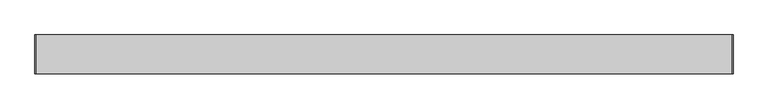
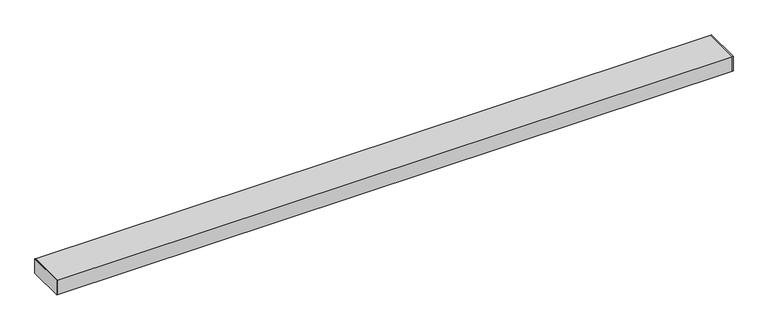
"""IFC4 building model written with IfcOpenShell, lengths in millimetres: proxy geometry."""

from ifc_helpers import new_model, si_unit, frame, origin, origin_with_axes, place, context, project, spatial, polyline, outline, extrude, source, transform, mapped, element, save


def generic_models_a887af0e(model_context):
    return source(origin(), model_context, "Body", "SweptSolid", [
        extrude(outline(polyline([(0.0, -50.8), (0.0, 50.8), (1.651, 50.8), (1.651, -50.8), (0.0, -50.8)])), origin_with_axes(), (0.0, 0.0, 1.0), 41.28),
        extrude(outline(polyline([(1828.8, -50.8), (1827.149, -50.8), (1827.149, 50.8), (1828.8, 50.8), (1828.8, -50.8)])), origin_with_axes(), (0.0, 0.0, 1.0), 41.28),
        extrude(outline(polyline([(-50.8, 0.0), (-50.8, 41.28), (50.8, 41.28), (50.8, 0.0), (-50.8, 0.0)]), holes=[polyline([(48.85, 1.65), (48.85, 39.63), (-48.85, 39.63), (-48.85, 1.65), (48.85, 1.65)])]), frame((1.651, 0.0, 0.0), z_axis=(1.0, 0.0, 0.0), x_axis=(0.0, 1.0, 0.0)), (0.0, 0.0, 1.0), 1825.498),
    ])


if __name__ == "__main__":
    model = new_model("IFC4")
    model_context = context("Model", 3, world=origin())
    ifc_project = project(units=[si_unit("LENGTHUNIT", "METRE", prefix="MILLI")], contexts=[model_context])
    site = spatial("IfcSite", under=ifc_project)
    building = spatial("IfcBuilding", under=site)
    placement = place(None, origin())
    generic_models_shape = generic_models_a887af0e(model_context)
    element("IfcBuildingElementProxy", 1, Name="Generic Models", at=placement, inside=building, context=model_context, shape_type="MappedRepresentation", body=[
        mapped(generic_models_shape, transform((0.0, 0.0, 0.0), x_axis=(1.0, 0.0, 0.0), y_axis=(0.0, 1.0, 0.0), z_axis=(0.0, 0.0, 1.0))),
    ])
    save(model, "model.ifc")
